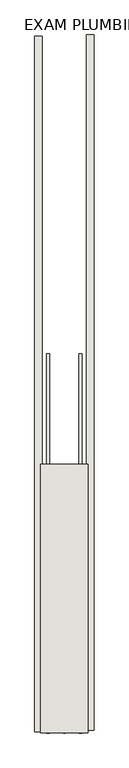
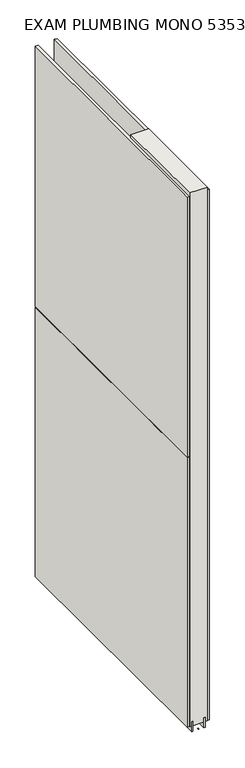
"""IFC4 building model written with IfcOpenShell, lengths in millimetres: wall geometry, EXAM PLUMBING MONO 535355 : EXAM PLUMBING MONO 535355."""

from ifc_helpers import new_model, si_unit, frame, origin, place, context, project, spatial, polyline, outline, extrude, source, transform, mapped, element, save


def exam_plumbing_mono_535355_exam_plumbing_mono_535355_dfe29082(model_context):
    return source(origin(), model_context, "Body", "SweptSolid", [
        extrude(outline(polyline([(44102.7108038, -53012.6636976), (44102.7108038, -53010.1236976), (44105.2508038, -53010.1236976), (44105.2508038, -53012.6636976), (44102.7108038, -53012.6636976)])), frame((0.0, 0.0, 4419.6), z_axis=(0.0, 0.0, 1.0), x_axis=(1.0, 0.0, 0.0)), (0.0, 0.0, 1.0), 2.54),
        extrude(outline(polyline([(44154.7808038, -51814.7006122), (44154.7808038, -53008.1972346), (44142.0808038, -53008.1972346), (44142.0808038, -51814.7006122), (44154.7808038, -51814.7006122)])), frame((0.0, 0.0, 4445.0), z_axis=(0.0, 0.0, 1.0), x_axis=(1.0, 0.0, 0.0)), (0.0, 0.0, 1.0), 2545.0498756),
        extrude(outline(polyline([(44053.1808038, -53010.6653018), (44053.1808038, -51817.1686794), (44065.8808038, -51817.1686794), (44065.8808038, -53010.6653018), (44053.1808038, -53010.6653018)])), frame((0.0, 0.0, 4445.0), z_axis=(0.0, 0.0, 1.0), x_axis=(1.0, 0.0, 0.0)), (0.0, 0.0, 1.0), 1293.400004),
        extrude(outline(polyline([(44053.1808038, -53010.6653018), (44053.1808038, -51817.1686794), (44065.8808038, -51817.1686794), (44065.8808038, -53010.6653018), (44053.1808038, -53010.6653018)])), frame((0.0, 0.0, 5742.4000722), z_axis=(0.0, 0.0, 1.0), x_axis=(1.0, 0.0, 0.0)), (0.0, 0.0, 1.0), 1247.649905),
        extrude(outline(polyline([(44129.070746, -53012.6711398), (44129.070746, -52361.2628414), (44134.1495014, -52361.2628414), (44134.1495014, -53012.6711398), (44129.070746, -53012.6711398)])), frame((0.0, 0.0, 4418.6602), z_axis=(0.0, 0.0, 1.0), x_axis=(1.0, 0.0, 0.0)), (0.0, 0.0, 1.0), 47.625),
        extrude(outline(polyline([(44129.070746, -53012.6711398), (44129.070746, -52361.2628414), (44134.1495014, -52361.2628414), (44134.1495014, -53012.6711398), (44129.070746, -53012.6711398)])), frame((0.0, 0.0, 4418.6602), z_axis=(0.0, 0.0, 1.0), x_axis=(1.0, 0.0, 0.0)), (0.0, 0.0, 1.0), 47.625),
        extrude(outline(polyline([(44078.906381, -52361.2628414), (44078.906381, -53012.6711398), (44073.8245014, -53012.6711398), (44073.8245014, -52361.2628414), (44078.906381, -52361.2628414)])), frame((0.0, 0.0, 4418.6602), z_axis=(0.0, 0.0, 1.0), x_axis=(1.0, 0.0, 0.0)), (0.0, 0.0, 1.0), 47.625),
        extrude(outline(polyline([(44078.906381, -52361.2628414), (44078.906381, -53012.6711398), (44073.8245014, -53012.6711398), (44073.8245014, -52361.2628414), (44078.906381, -52361.2628414)])), frame((0.0, 0.0, 4418.6602), z_axis=(0.0, 0.0, 1.0), x_axis=(1.0, 0.0, 0.0)), (0.0, 0.0, 1.0), 47.625),
        extrude(outline(polyline([(44144.6170954, -53012.6711398), (44063.3352412, -53012.6711398), (44063.3352412, -52551.7628414), (44144.6170954, -52551.7628414), (44144.6170954, -53012.6711398)])), frame((0.0, 0.0, 4445.0), z_axis=(0.0, 0.0, 1.0), x_axis=(1.0, 0.0, 0.0)), (0.0, 0.0, 1.0), 2562.4536762),
    ])


if __name__ == "__main__":
    model = new_model("IFC4")
    model_context = context("Model", 3, world=origin())
    ifc_project = project(units=[si_unit("LENGTHUNIT", "METRE", prefix="MILLI")], contexts=[model_context])
    site = spatial("IfcSite", under=ifc_project)
    building = spatial("IfcBuilding", under=site)
    placement = place(None, origin())
    exam_plumbing_mono_535355_exam_plumbing_mono_535355_shape = exam_plumbing_mono_535355_exam_plumbing_mono_535355_dfe29082(model_context)
    element("IfcWall", 1, ObjectType="EXAM PLUMBING MONO 535355 : EXAM PLUMBING MONO 535355", at=placement, inside=building, context=model_context, shape_type="MappedRepresentation", body=[
        mapped(exam_plumbing_mono_535355_exam_plumbing_mono_535355_shape, transform((0.0, 0.0, 0.0), x_axis=(1.0, 0.0, 0.0), y_axis=(0.0, 1.0, 0.0), z_axis=(0.0, 0.0, 1.0))),
    ])
    save(model, "model.ifc")
